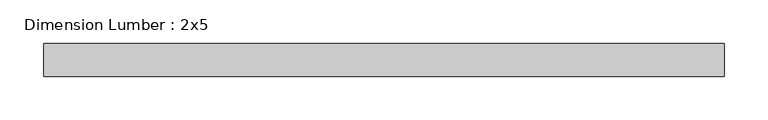
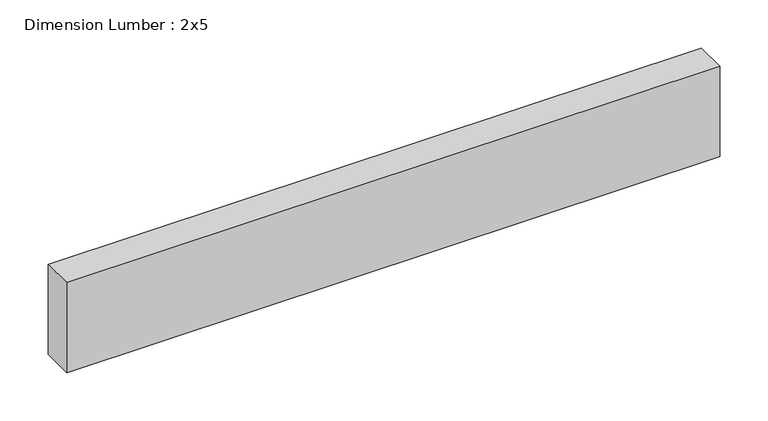
"""IFC4 building model written with IfcOpenShell, lengths in millimetres: beam geometry, Dimension Lumber : 2x5."""

from ifc_helpers import new_model, si_unit, frame, origin, place, context, project, spatial, polyline, outline, extrude, source, transform, mapped, element, save


def dimension_lumber_2x5_336f54c5(model_context):
    return source(origin(), model_context, "Body", "SweptSolid", [
        extrude(outline(polyline([(391.2169697, 19.05), (391.2169697, -19.05), (-391.2169697, -19.05), (-391.2169697, 19.05), (391.2169697, 19.05)])), frame((0.0, 0.0, -57.15), z_axis=(0.0, 0.0, 1.0), x_axis=(1.0, 0.0, 0.0)), (0.0, 0.0, 1.0), 114.3),
    ])


if __name__ == "__main__":
    model = new_model("IFC4")
    model_context = context("Model", 3, world=origin())
    ifc_project = project(units=[si_unit("LENGTHUNIT", "METRE", prefix="MILLI")], contexts=[model_context])
    site = spatial("IfcSite", under=ifc_project)
    building = spatial("IfcBuilding", under=site)
    placement = place(None, origin())
    dimension_lumber_2x5_shape = dimension_lumber_2x5_336f54c5(model_context)
    element("IfcBeam", 1, ObjectType="Dimension Lumber : 2x5", at=placement, inside=building, context=model_context, shape_type="MappedRepresentation", body=[
        mapped(dimension_lumber_2x5_shape, transform((0.0, 0.0, 0.0), x_axis=(1.0, 0.0, 0.0), y_axis=(0.0, 1.0, 0.0), z_axis=(0.0, 0.0, 1.0))),
    ])
    save(model, "model.ifc")
